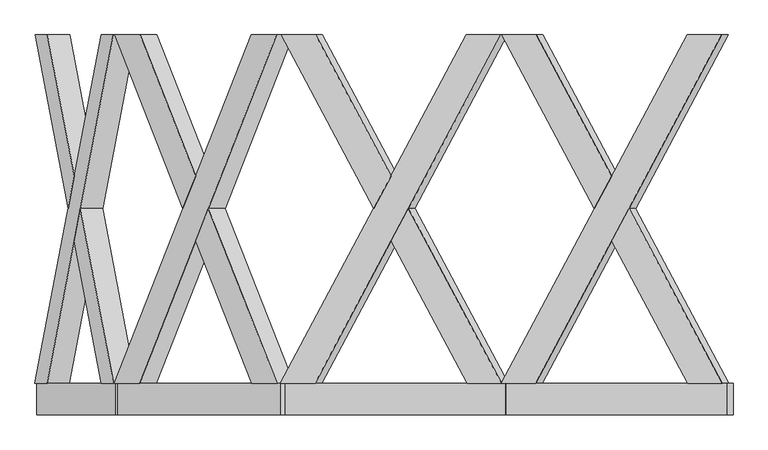
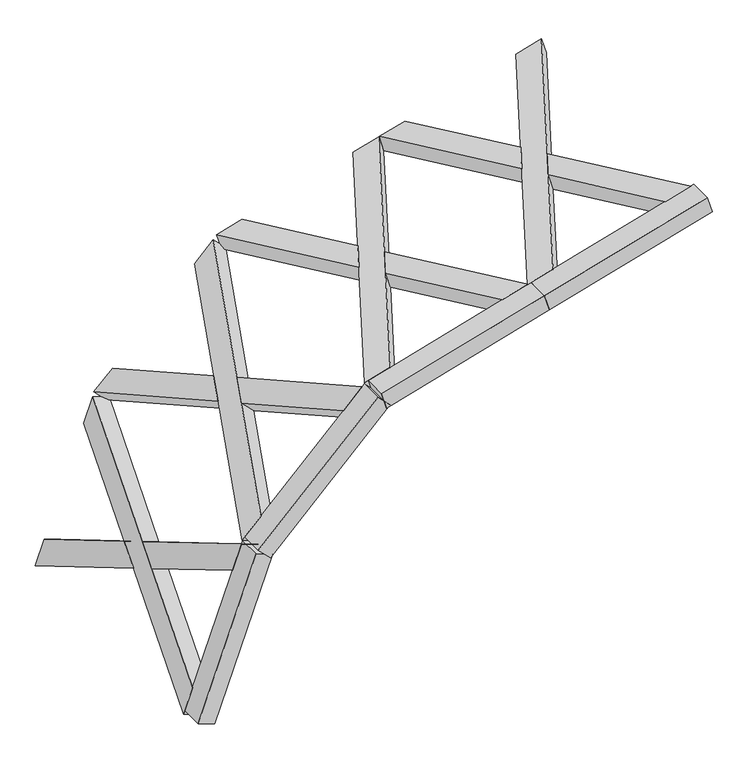
"""IFC4 building model written with IfcOpenShell, lengths in millimetres: proxy geometry."""

import ifcopenshell
import ifcopenshell.guid

model = None  # the IFC model being written
_history = None  # IfcOwnerHistory: only IFC2X3 demands one
_inside = {}  # id of a spatial element -> (the spatial element, [elements in it])
_under = {}  # id of a project, library or spatial element -> (it, [spatial elements below it])
_declared = {}  # id of a project -> (the project, [libraries it declares])
_typed = {}  # id of a type object -> (the type object, [elements of that type])
_made_of = {}  # id of a material, layer set ... -> (it, [elements and type objects made of it])


def new_model(schema):
    """Start an empty IFC model of exactly this schema.

    Asked for "IFC4X3", IfcOpenShell would pick the latest addendum, in which some entities
    have other attributes; the version numbers below select the first issue.
    IFC2X3 requires an IfcOwnerHistory on every rooted entity: one is made here for all.
    """
    global model, _history
    if schema == "IFC4X3":
        model = ifcopenshell.file(schema_version=(4, 3, 0, 0))
    else:
        model = ifcopenshell.file(schema=schema)
    _inside.clear()
    _under.clear()
    _declared.clear()
    _typed.clear()
    _made_of.clear()
    _history = None
    if model.schema == "IFC2X3":
        org = make("IfcOrganization", Name="unknown")
        user = make(
            "IfcPersonAndOrganization",
            ThePerson=make("IfcPerson", FamilyName="unknown"),
            TheOrganization=org,
        )
        app = make(
            "IfcApplication",
            ApplicationDeveloper=org,
            Version="unknown",
            ApplicationFullName="unknown",
            ApplicationIdentifier="unknown",
        )
        _history = make(
            "IfcOwnerHistory",
            OwningUser=user,
            OwningApplication=app,
            ChangeAction="ADDED",
            CreationDate=0,
        )
    return model


def make(cls, **values):
    """One entity of the class cls with the attributes given. An attribute that is None is left unset."""
    return model.create_entity(
        cls, **{name: value for name, value in values.items() if value is not None}
    )


def rooted(cls, **values):
    """An entity with a GlobalId (a new one), such as an element, a storey or a relation."""
    return make(cls, GlobalId=ifcopenshell.guid.new(), OwnerHistory=_history, **values)


def si_unit(unit_type, name, prefix=None):
    """IfcSIUnit, for example si_unit("LENGTHUNIT", "METRE", prefix="MILLI")."""
    return make("IfcSIUnit", UnitType=unit_type, Prefix=prefix, Name=name)


def assignment(units):
    """IfcUnitAssignment: the units of a project."""
    return None if units is None else make("IfcUnitAssignment", Units=units)


def point(xyz):
    """IfcCartesianPoint."""
    return None if xyz is None else make("IfcCartesianPoint", Coordinates=xyz)


def direction(xyz):
    """IfcDirection."""
    return None if xyz is None else make("IfcDirection", DirectionRatios=xyz)


def frame(location, z_axis=None, x_axis=None):
    """IfcAxis2Placement3D, a coordinate frame: its origin and axes. An axis left out is left unset."""
    return make(
        "IfcAxis2Placement3D",
        Location=point(location),
        Axis=direction(z_axis),
        RefDirection=direction(x_axis),
    )


def origin():
    """The frame at (0, 0, 0) with its axes left unset."""
    return frame((0.0, 0.0, 0.0))


def place(relative_to, where):
    """IfcLocalPlacement: puts the frame where relative to a parent placement (None: the world)."""
    return make(
        "IfcLocalPlacement", PlacementRelTo=relative_to, RelativePlacement=where
    )


def context(
    kind, dimensions, precision=None, world=None, true_north=None, identifier=None
):
    """IfcGeometricRepresentationContext, for example the 3D "Model" context."""
    return make(
        "IfcGeometricRepresentationContext",
        ContextIdentifier=identifier,
        ContextType=kind,
        CoordinateSpaceDimension=dimensions,
        Precision=precision,
        WorldCoordinateSystem=world,
        TrueNorth=true_north,
    )


def project(units=None, contexts=None):
    """IfcProject with its units and contexts."""
    return rooted(
        "IfcProject",
        Name="project",
        RepresentationContexts=contexts,
        UnitsInContext=assignment(units),
    )


def spatial(cls, under=None, at=None, **own):
    """A site, building, storey or space (cls), placed at a placement, below another one or the project."""
    s = rooted(cls, ObjectPlacement=at, **own)
    if under is not None:
        _under.setdefault(under.id(), (under, []))[1].append(s)
    return s


def polyline(points):
    """IfcPolyline through the points."""
    return make("IfcPolyline", Points=[point(p) for p in points])


def outline(outer, holes=None, kind="AREA"):
    """IfcArbitraryClosedProfileDef: a profile drawn as a closed curve; with holes, ...WithVoids."""
    if holes is None:
        return make("IfcArbitraryClosedProfileDef", ProfileType=kind, OuterCurve=outer)
    return make(
        "IfcArbitraryProfileDefWithVoids",
        ProfileType=kind,
        OuterCurve=outer,
        InnerCurves=holes,
    )


def extrude(swept, where, along, depth):
    """IfcExtrudedAreaSolid: the profile swept, set in the frame where, extruded along a direction by depth."""
    return make(
        "IfcExtrudedAreaSolid",
        SweptArea=swept,
        Position=where,
        ExtrudedDirection=direction(along),
        Depth=depth,
    )


def faces_of(points, faces, orient=None, outer=None):
    """IfcFace entities. A face is a list of loops; a loop is a list of indices into points, from 0.

    orient and outer hold one flag for each loop. By default every Orientation is true, the
    first loop of a face is its IfcFaceOuterBound and the others are IfcFaceBound.
    """
    made = []
    for i, loops in enumerate(faces):
        bounds = []
        for j, loop in enumerate(loops):
            is_outer = j == 0 if outer is None else outer[i][j]
            bounds.append(
                make(
                    "IfcFaceOuterBound" if is_outer else "IfcFaceBound",
                    Bound=make("IfcPolyLoop", Polygon=[points[k] for k in loop]),
                    Orientation=True if orient is None else orient[i][j],
                )
            )
        made.append(make("IfcFace", Bounds=bounds))
    return made


def faceted_brep(points, faces, orient=None, outer=None, voids=None):
    """IfcFacetedBrep: a solid bounded by flat faces; with voids (closed shells), ...WithVoids."""
    shared = [point(p) for p in points]
    hull = make("IfcClosedShell", CfsFaces=faces_of(shared, faces, orient, outer))
    if voids is None:
        return make("IfcFacetedBrep", Outer=hull)
    return make(
        "IfcFacetedBrepWithVoids",
        Outer=hull,
        Voids=[
            make(cls, CfsFaces=faces_of(shared, fs, o, b)) for cls, fs, o, b in voids
        ],
    )


def shape(context_of_items, identifier, shape_type, items):
    """IfcShapeRepresentation: the items that make up one representation, for example the "Body"."""
    return make(
        "IfcShapeRepresentation",
        ContextOfItems=context_of_items,
        RepresentationIdentifier=identifier,
        RepresentationType=shape_type,
        Items=items,
    )


def source(mapping_origin, context_of_items, identifier, shape_type, items):
    """IfcRepresentationMap: a shape defined once, which mapped items show again and again."""
    return make(
        "IfcRepresentationMap",
        MappingOrigin=mapping_origin,
        MappedRepresentation=shape(context_of_items, identifier, shape_type, items),
    )


def transform(
    local_origin,
    x_axis=None,
    y_axis=None,
    z_axis=None,
    scale=None,
    scale2=None,
    scale3=None,
    uniform=True,
):
    """IfcCartesianTransformationOperator3D, or its non-uniform kind. x_axis, y_axis, z_axis: its Axis1, 2, 3."""
    if uniform:
        return make(
            "IfcCartesianTransformationOperator3D",
            Axis1=direction(x_axis),
            Axis2=direction(y_axis),
            LocalOrigin=point(local_origin),
            Scale=scale,
            Axis3=direction(z_axis),
        )
    return make(
        "IfcCartesianTransformationOperator3DnonUniform",
        Axis1=direction(x_axis),
        Axis2=direction(y_axis),
        LocalOrigin=point(local_origin),
        Scale=scale,
        Axis3=direction(z_axis),
        Scale2=scale2,
        Scale3=scale3,
    )


def mapped(mapping_source, mapping_target):
    """IfcMappedItem: shows the shape of a source again, moved by a transform."""
    return make(
        "IfcMappedItem", MappingSource=mapping_source, MappingTarget=mapping_target
    )


def made_of(thing, what):
    """Note that an element or type object is made of a material, layer set ...; save() writes the relation."""
    if what is not None:
        _made_of.setdefault(what.id(), (what, []))[1].append(thing)
    return thing


def element(
    cls,
    number,
    at=None,
    inside=None,
    cuts=None,
    type_object=None,
    material=None,
    context=None,
    identifier="Body",
    shape_type=None,
    held_by="IfcProductDefinitionShape",
    body=None,
    shapes=None,
    **own,
):
    """One element of the class cls, such as IfcWall. Its Tag is "e" and its number.

    at: its placement. inside: the storey or other place that contains it. cuts: it is an
    opening in that element (IfcRelVoidsElement). A single representation is given by context,
    identifier, shape_type and body (its items); several are given by shapes. held_by: the class
    of the entity that holds the representations. save() writes the other relations.
    """
    e = rooted(cls, Tag="e%d" % number, ObjectPlacement=at, **own)
    if body is not None:
        shapes = [shape(context, identifier, shape_type, body)]
    if shapes is not None:
        e.Representation = make(held_by, Representations=shapes)
    if inside is not None:
        _inside.setdefault(inside.id(), (inside, []))[1].append(e)
    if cuts is not None:
        rooted(
            "IfcRelVoidsElement", RelatingBuildingElement=cuts, RelatedOpeningElement=e
        )
    if type_object is not None:
        _typed.setdefault(type_object.id(), (type_object, []))[1].append(e)
    return made_of(e, material)


def aggregate(whole, parts):
    """IfcRelAggregates: a whole, such as a stair, and the parts it consists of."""
    return rooted("IfcRelAggregates", RelatingObject=whole, RelatedObjects=parts)


def save(model, path):
    """Write the relations noted so far, then the file.

    IfcRelAggregates (storeys below a building ...), IfcRelContainedInSpatialStructure (elements
    in a storey), IfcRelDefinesByType, IfcRelAssociatesMaterial and IfcRelDeclares: one each for
    every whole, place, type object, material and project.
    """
    for whole, parts in _under.values():
        aggregate(whole, parts)
    for where, things in _inside.values():
        rooted(
            "IfcRelContainedInSpatialStructure",
            RelatedElements=things,
            RelatingStructure=where,
        )
    for kind, things in _typed.values():
        rooted("IfcRelDefinesByType", RelatedObjects=things, RelatingType=kind)
    for what, things in _made_of.values():
        rooted("IfcRelAssociatesMaterial", RelatedObjects=things, RelatingMaterial=what)
    for by, libraries in _declared.values():
        rooted("IfcRelDeclares", RelatingContext=by, RelatedDefinitions=libraries)
    model.write(path)


def generic_models_580227d4(model_context):
    return source(origin(), model_context, "Body", "SolidModel", [
        faceted_brep([(4332.2723336, 100.0, 3129.3486059), (4112.4598395, 100.0, 3066.3183875), (2929.7322845, 2319.6837757, 2727.1767185), (3149.5447786, 2319.6837757, 2790.2069369), (2888.3866812, 2319.6837757, 2871.3659728), (3477.4715243, 1214.1188776, 3040.2833334), (3587.3777713, 1420.3854116, 3071.7984426), (3108.1991752, 2319.6837757, 2934.3961913), (4290.9267302, 100.0, 3273.5378603), (3697.2840184, 1214.1188776, 3103.3135518), (3587.3777713, 1007.8523437, 3071.7984426), (4071.1142362, 100.0, 3210.5076419), (3608.050573, 1007.8523437, 2999.7038154), (3498.144326, 1214.1188776, 2968.1887062), (3608.050573, 1420.3854116, 2999.7038154), (3717.95682, 1214.1188776, 3031.2189246)], [[[0, 1, 2, 3]], [[4, 5, 6, 7]], [[8, 9, 10, 11]], [[0, 8, 11, 1]], [[1, 11, 10, 12, 13, 5, 4, 2]], [[2, 4, 7, 3]], [[3, 7, 6, 14, 15, 9, 8, 0]], [[13, 12, 15, 14]], [[12, 10, 9, 15]], [[14, 6, 5, 13]]]),
        faceted_brep([(2925.1744158, 100.0, 2725.8697706), (3518.8171277, 1214.1188776, 2896.094079), (3628.7233747, 1007.8523437, 2927.6091882), (3144.9869099, 100.0, 2788.899989), (4327.7144649, 2319.6837757, 3128.041658), (3738.6296217, 1214.1188776, 2959.1242975), (3628.7233747, 1420.3854116, 2927.6091882), (4107.9019708, 2319.6837757, 3065.0114396), (2883.8288124, 100.0, 2870.059025), (3103.6413065, 100.0, 2933.0892434), (4286.3688615, 2319.6837757, 3272.2309124), (4066.5563674, 2319.6837757, 3209.200694), (3608.050573, 1007.8523437, 2999.7038154), (3717.95682, 1214.1188776, 3031.2189246), (3608.050573, 1420.3854116, 2999.7038154), (3498.144326, 1214.1188776, 2968.1887062)], [[[0, 1, 2, 3]], [[4, 5, 6, 7]], [[8, 9, 10, 11]], [[3, 9, 8, 0]], [[9, 3, 2, 12, 13, 5, 4, 10]], [[7, 11, 10, 4]], [[11, 7, 6, 14, 15, 1, 0, 8]], [[13, 12, 15, 14]], [[12, 2, 1, 15]], [[14, 6, 5, 13]]]),
        extrude(outline(polyline([(0.0, 200.0), (1460.0, 200.0), (1460.0, 0.0), (0.0, 0.0), (0.0, 200.0)])), frame((4359.2822636, 100.0, 3137.0935787), z_axis=(-0.2756373558169956, 0.0, 0.96126169593832), x_axis=(-0.96126169593832, 0.0, -0.2756373558169956)), (0.0, 0.0, 1.0), 150.0),
        faceted_brep([(2928.8302575, 100.0, 2726.9180664), (2709.0177635, 100.0, 2663.887848), (1526.2902085, 2319.6837757, 2324.746179), (1746.1027025, 2319.6837757, 2387.7763974), (1484.9446051, 2319.6837757, 2468.9354334), (2074.0294482, 1214.1188776, 2637.8527939), (2183.9356953, 1420.3854116, 2669.3679031), (1704.7570992, 2319.6837757, 2531.9656518), (2887.4846542, 100.0, 2871.1073208), (2293.8419423, 1214.1188776, 2700.8830124), (2183.9356953, 1007.8523437, 2669.3679031), (2667.6721601, 100.0, 2808.0771024), (2204.6084969, 1007.8523437, 2597.273276), (2094.7022499, 1214.1188776, 2565.7581667), (2204.6084969, 1420.3854116, 2597.273276), (2314.514744, 1214.1188776, 2628.7883852)], [[[0, 1, 2, 3]], [[4, 5, 6, 7]], [[8, 9, 10, 11]], [[0, 8, 11, 1]], [[1, 11, 10, 12, 13, 5, 4, 2]], [[2, 4, 7, 3]], [[3, 7, 6, 14, 15, 9, 8, 0]], [[13, 12, 15, 14]], [[12, 10, 9, 15]], [[14, 6, 5, 13]]]),
        faceted_brep([(1521.7323397, 100.0, 2323.4392311), (2115.3750516, 1214.1188776, 2493.6635396), (2225.2812986, 1007.8523437, 2525.1786488), (1741.5448338, 100.0, 2386.4694495), (2924.2723888, 2319.6837757, 2725.6111185), (2335.1875457, 1214.1188776, 2556.693758), (2225.2812986, 1420.3854116, 2525.1786488), (2704.4598947, 2319.6837757, 2662.5809001), (1480.3867363, 100.0, 2467.6284855), (1700.1992304, 100.0, 2530.6587039), (2882.9267854, 2319.6837757, 2869.8003729), (2663.1142914, 2319.6837757, 2806.7701545), (2204.6084969, 1007.8523437, 2597.273276), (2314.514744, 1214.1188776, 2628.7883852), (2204.6084969, 1420.3854116, 2597.273276), (2094.7022499, 1214.1188776, 2565.7581667)], [[[0, 1, 2, 3]], [[4, 5, 6, 7]], [[8, 9, 10, 11]], [[3, 9, 8, 0]], [[9, 3, 2, 12, 13, 5, 4, 10]], [[7, 11, 10, 4]], [[11, 7, 6, 14, 15, 1, 0, 8]], [[13, 12, 15, 14]], [[12, 2, 1, 15]], [[14, 6, 5, 13]]]),
        extrude(outline(polyline([(0.0, 200.0), (1459.9999999, 200.0), (1459.9999999, 0.0), (0.0, 0.0), (0.0, 200.0)])), frame((2955.8401875, 100.0, 2734.6630392), z_axis=(-0.2756373558169957, 0.0, 0.96126169593832), x_axis=(-0.96126169593832, 0.0, -0.2756373558169957)), (0.0, 0.0, 1.0), 150.0),
        faceted_brep([(1564.8897386, 100.0, 2331.4255385), (1403.1950557, 100.0, 2169.7308556), (533.1773717, 2319.6837757, 1299.7131716), (694.8720546, 2319.6837757, 1461.4078545), (427.1113545, 2319.6837757, 1405.7791888), (860.443806, 1214.1188776, 1839.1116403), (941.2911475, 1420.3854116, 1919.9589818), (588.8060374, 2319.6837757, 1567.4738717), (1458.8237215, 100.0, 2437.4915557), (1022.138489, 1214.1188776, 2000.8063232), (941.2911475, 1007.8523437, 1919.9589818), (1297.1290385, 100.0, 2275.7968728), (994.3241561, 1007.8523437, 1866.9259732), (913.4768146, 1214.1188776, 1786.0786317), (994.3241561, 1420.3854116, 1866.9259732), (1075.1714976, 1214.1188776, 1947.7733146)], [[[0, 1, 2, 3]], [[4, 5, 6, 7]], [[8, 9, 10, 11]], [[0, 8, 11, 1]], [[1, 11, 10, 12, 13, 5, 4, 2]], [[2, 4, 7, 3]], [[3, 7, 6, 14, 15, 9, 8, 0]], [[13, 12, 15, 14]], [[12, 10, 9, 15]], [[14, 6, 5, 13]]]),
        faceted_brep([(529.8245907, 100.0, 1296.3603906), (966.5098232, 1214.1188776, 1733.0456231), (1047.3571647, 1007.8523437, 1813.8929646), (691.5192737, 100.0, 1458.0550736), (1561.5369577, 2319.6837757, 2328.0727576), (1128.2045061, 1214.1188776, 1894.7403061), (1047.3571647, 1420.3854116, 1813.8929646), (1399.8422747, 2319.6837757, 2166.3780747), (423.7585735, 100.0, 1402.4264078), (585.4532565, 100.0, 1564.1210908), (1455.4709405, 2319.6837757, 2434.1387748), (1293.7762576, 2319.6837757, 2272.4440918), (994.3241561, 1007.8523437, 1866.9259732), (1075.1714976, 1214.1188776, 1947.7733146), (994.3241561, 1420.3854116, 1866.9259732), (913.4768146, 1214.1188776, 1786.0786317)], [[[0, 1, 2, 3]], [[4, 5, 6, 7]], [[8, 9, 10, 11]], [[3, 9, 8, 0]], [[9, 3, 2, 12, 13, 5, 4, 10]], [[7, 11, 10, 4]], [[11, 7, 6, 14, 15, 1, 0, 8]], [[13, 12, 15, 14]], [[12, 2, 1, 15]], [[14, 6, 5, 13]]]),
        extrude(outline(polyline([(-148.3871943, 0.0), (-348.3871943, 0.0), (-348.3871943, 149.9999999), (-148.3871943, 149.9999999), (-148.3871943, 0.0)])), frame((552.3824178, 248.3871943, 1318.9182178), z_axis=(0.707106781186548, 0.0, 0.7071067811865472), x_axis=(0.0, 1.0, 0.0)), (0.0, 0.0, 1.0), 1460.0),
        faceted_brep([(560.2161319, 100.0, 1319.8958424), (482.0061075, 100.0, 1105.0155663), (61.1876669, 2319.6837757, -51.1735969), (139.3976913, 2319.6837757, 163.7066792), (-79.7662262, 2319.6837757, 0.1294246), (129.8321416, 1214.1188776, 575.9962072), (168.9371538, 1420.3854116, 683.4363453), (-1.5562018, 2319.6837757, 215.0097007), (419.2622388, 100.0, 1371.1988639), (208.042166, 1214.1188776, 790.8764834), (168.9371538, 1007.8523437, 683.4363453), (341.0522144, 100.0, 1156.3185878), (239.4141003, 1007.8523437, 657.7848346), (200.3090881, 1214.1188776, 550.3446965), (239.4141003, 1420.3854116, 657.7848346), (278.5191125, 1214.1188776, 765.2249726)], [[[0, 1, 2, 3]], [[4, 5, 6, 7]], [[8, 9, 10, 11]], [[0, 8, 11, 1]], [[1, 11, 10, 12, 13, 5, 4, 2]], [[2, 4, 7, 3]], [[3, 7, 6, 14, 15, 9, 8, 0]], [[13, 12, 15, 14]], [[12, 10, 9, 15]], [[14, 6, 5, 13]]]),
        faceted_brep([(59.5659619, 100.0, -55.6291948), (270.7860347, 1214.1188776, 524.6931857), (309.8910469, 1007.8523437, 632.1333238), (137.7759863, 100.0, 159.2510813), (558.5944269, 2319.6837757, 1315.4402445), (348.9960591, 1214.1188776, 739.5734619), (309.8910469, 1420.3854116, 632.1333238), (480.3844025, 2319.6837757, 1100.5599684), (-81.3879313, 100.0, -4.3261733), (-3.1779068, 100.0, 210.5541028), (417.6405338, 2319.6837757, 1366.743266), (339.4305093, 2319.6837757, 1151.8629899), (239.4141003, 1007.8523437, 657.7848346), (278.5191125, 1214.1188776, 765.2249726), (239.4141003, 1420.3854116, 657.7848346), (200.3090881, 1214.1188776, 550.3446965)], [[[0, 1, 2, 3]], [[4, 5, 6, 7]], [[8, 9, 10, 11]], [[3, 9, 8, 0]], [[9, 3, 2, 12, 13, 5, 4, 10]], [[7, 11, 10, 4]], [[11, 7, 6, 14, 15, 1, 0, 8]], [[13, 12, 15, 14]], [[12, 2, 1, 15]], [[14, 6, 5, 13]]]),
        extrude(outline(polyline([(-148.3871943, 0.0), (-348.3871943, 0.0), (-348.3871943, 150.0), (-148.3871943, 150.0), (-148.3871943, 0.0)])), frame((70.4769466, 248.3871943, -25.6515107), z_axis=(0.34202014332566977, 0.0, 0.939692620785908), x_axis=(0.0, 1.0, 0.0)), (0.0, 0.0, 1.0), 1460.0),
    ])


if __name__ == "__main__":
    model = new_model("IFC4")
    model_context = context("Model", 3, world=origin())
    ifc_project = project(units=[si_unit("LENGTHUNIT", "METRE", prefix="MILLI")], contexts=[model_context])
    site = spatial("IfcSite", under=ifc_project)
    building = spatial("IfcBuilding", under=site)
    placement = place(None, origin())
    generic_models_shape = generic_models_580227d4(model_context)
    element("IfcBuildingElementProxy", 1, Name="Generic Models", at=placement, inside=building, context=model_context, shape_type="MappedRepresentation", body=[
        mapped(generic_models_shape, transform((0.0, 0.0, 0.0), x_axis=(1.0, 0.0, 0.0), y_axis=(0.0, 1.0, 0.0), z_axis=(0.0, 0.0, 1.0))),
    ])
    save(model, "model.ifc")
